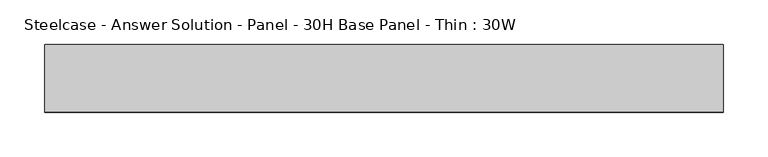
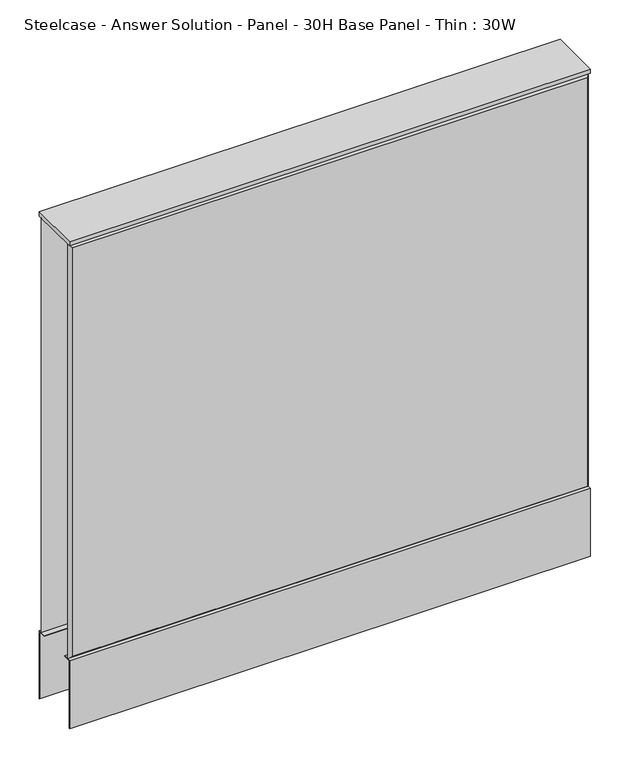
"""IFC4 building model written with IfcOpenShell, lengths in millimetres: furniture geometry, Steelcase - Answer Solution - Panel - 30H Base Panel - Thin : 30W."""

from ifc_helpers import new_model, si_unit, frame, origin, place, context, project, spatial, polyline, outline, extrude, faceted_brep, source, transform, mapped, element, save


def steelcase_answer_solution_panel_30h_base_panel_thin_30w_119b6f77(model_context):
    return source(origin(), model_context, "Body", "SolidModel", [
        extrude(outline(polyline([(37.3075215, 119.8575157), (25.4000011, 119.8575157), (25.4000011, 120.65), (38.1000194, 120.65), (38.1000194, 15.494), (37.3075215, 15.494), (37.3075215, 119.8575157)])), frame((-381.0, 0.0, 0.0), z_axis=(1.0, 0.0, 0.0), x_axis=(0.0, 1.0, 0.0)), (0.0, 0.0, 1.0), 762.0),
        extrude(outline(polyline([(-37.3075215, 119.8575157), (-37.3075215, 15.494), (-38.1000194, 15.494), (-38.1000194, 120.65), (-25.4000011, 120.65), (-25.4000011, 119.8575157), (-37.3075215, 119.8575157)])), frame((-381.0, 0.0, 0.0), z_axis=(1.0, 0.0, 0.0), x_axis=(0.0, 1.0, 0.0)), (0.0, 0.0, 1.0), 762.0),
        faceted_brep([(376.174, 38.100001, 757.174), (376.174, 38.100001, 125.476), (-376.174, 38.100001, 125.476), (-376.174, 38.100001, 757.174), (381.0, 33.274001, 762.0), (-381.0, 33.274001, 762.0), (-381.0, 33.274001, 120.65), (381.0, 33.274001, 120.65)], [[[0, 1, 2, 3]], [[4, 5, 6, 7]], [[4, 0, 3, 5]], [[5, 3, 2, 6]], [[6, 2, 1, 7]], [[7, 1, 0, 4]]]),
        faceted_brep([(376.174, -38.100001, 757.174), (-376.174, -38.100001, 757.174), (-376.174, -38.100001, 125.476), (376.174, -38.100001, 125.476), (381.0, -33.274001, 762.0), (381.0, -33.274001, 120.65), (-381.0, -33.274001, 120.65), (-381.0, -33.274001, 762.0)], [[[0, 1, 2, 3]], [[4, 5, 6, 7]], [[4, 7, 1, 0]], [[7, 6, 2, 1]], [[6, 5, 3, 2]], [[5, 4, 0, 3]]]),
        extrude(outline(polyline([(381.0, 38.1000194), (381.0, -38.1000194), (-381.0, -38.1000194), (-381.0, 38.1000194), (381.0, 38.1000194)])), frame((0.0, 0.0, 762.0), z_axis=(0.0, 0.0, 1.0), x_axis=(1.0, 0.0, 0.0)), (0.0, 0.0, 1.0), 6.35),
    ])


if __name__ == "__main__":
    model = new_model("IFC4")
    model_context = context("Model", 3, world=origin())
    ifc_project = project(units=[si_unit("LENGTHUNIT", "METRE", prefix="MILLI")], contexts=[model_context])
    site = spatial("IfcSite", under=ifc_project)
    building = spatial("IfcBuilding", under=site)
    placement = place(None, origin())
    steelcase_answer_solution_panel_30h_base_panel_thin_30w_shape = steelcase_answer_solution_panel_30h_base_panel_thin_30w_119b6f77(model_context)
    element("IfcFurniture", 1, ObjectType="Steelcase - Answer Solution - Panel - 30H Base Panel - Thin : 30W", at=placement, inside=building, context=model_context, shape_type="MappedRepresentation", body=[
        mapped(steelcase_answer_solution_panel_30h_base_panel_thin_30w_shape, transform((0.0, 0.0, 0.0), x_axis=(1.0, 0.0, 0.0), y_axis=(0.0, 1.0, 0.0), z_axis=(0.0, 0.0, 1.0))),
    ])
    save(model, "model.ifc")
